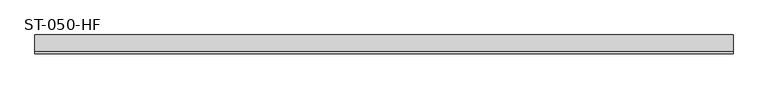
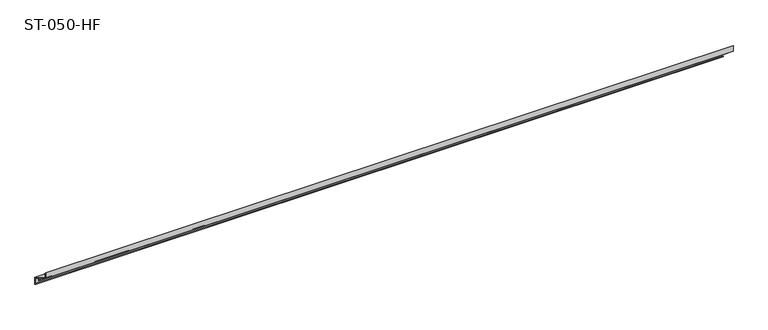
"""IFC4 building model written with IfcOpenShell, lengths in millimetres: plate geometry, ST-050-HF."""

from ifc_helpers import new_model, si_unit, frame, origin, place, context, project, spatial, polyline, outline, extrude, source, transform, mapped, element, save


def st_050_hf_2aa0f44e(model_context):
    return source(origin(), model_context, "Body", "SweptSolid", [
        extrude(outline(polyline([(20.9725397, -26.870148), (21.7239148, -25.6208598), (0.0, -12.5551715), (0.0, 0.0), (5.0, -5.0), (5.0, -6.6970563), (1.4, -3.0970563), (1.4, -11.7634846), (41.0, -35.5806124), (41.0, -50.8189774), (36.8942788, -48.2283809), (37.5346303, -47.2135163), (39.6, -48.5167075), (39.6, -36.3722993), (27.0, -28.7941223), (27.0, -33.022281), (25.6, -33.3974098), (25.6, -30.7573039), (24.548431, -28.5022069), (24.1846859, -27.1446916), (22.4398558, -27.9583192), (22.971135, -29.9410801), (20.9725397, -29.9410801), (20.9725397, -26.870148)])), frame((-750.0, 0.0, 0.0), z_axis=(1.0, 0.0, 0.0), x_axis=(0.0, 1.0, 0.0)), (0.0, 0.0, 1.0), 1499.7321324),
    ])


if __name__ == "__main__":
    model = new_model("IFC4")
    model_context = context("Model", 3, world=origin())
    ifc_project = project(units=[si_unit("LENGTHUNIT", "METRE", prefix="MILLI")], contexts=[model_context])
    site = spatial("IfcSite", under=ifc_project)
    building = spatial("IfcBuilding", under=site)
    placement = place(None, origin())
    st_050_hf_shape = st_050_hf_2aa0f44e(model_context)
    element("IfcPlate", 1, ObjectType="ST-050-HF", at=placement, inside=building, context=model_context, shape_type="MappedRepresentation", body=[
        mapped(st_050_hf_shape, transform((0.0, 0.0, 0.0), x_axis=(1.0, 0.0, 0.0), y_axis=(0.0, 1.0, 0.0), z_axis=(0.0, 0.0, 1.0))),
    ])
    save(model, "model.ifc")
